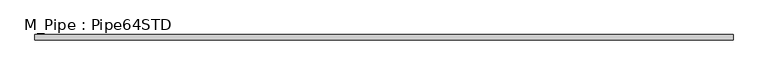
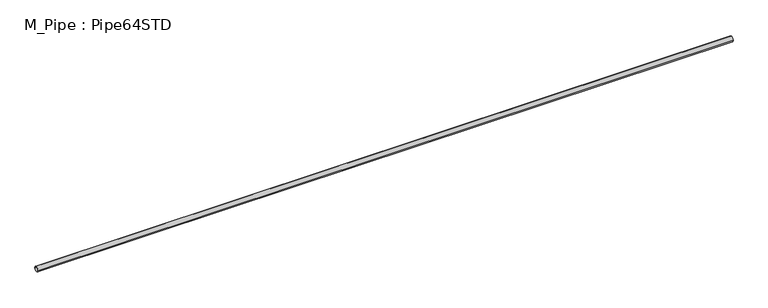
"""IFC4 building model written with IfcOpenShell, lengths in millimetres: member geometry, M_Pipe : Pipe64STD."""

from ifc_helpers import new_model, si_unit, point, frame, origin, origin_2d, place, context, project, spatial, circle_curve, trimmed, segment, composite_curve, outline, extrude, source, transform, mapped, element, save


def m_pipe_pipe64std_db228b6c(model_context):
    return source(origin(), model_context, "Body", "SweptSolid", [
        extrude(outline(composite_curve([segment(trimmed(circle_curve(origin_2d(), 36.6), [point((-36.6, 0.0))], [point((36.6, 0.0))], False, "CARTESIAN"), True, "CONTINUOUS"), segment(trimmed(circle_curve(origin_2d(), 36.6), [point((36.6, 0.0))], [point((-36.6, 0.0))], False, "CARTESIAN"), True, "CONTINUOUS")], self_intersect=False), holes=[composite_curve([segment(trimmed(circle_curve(origin_2d(), 31.44), [point((31.44, 0.0))], [point((-31.44, 0.0))], True, "CARTESIAN"), True, "CONTINUOUS"), segment(trimmed(circle_curve(origin_2d(), 31.44), [point((-31.44, 0.0))], [point((31.44, 0.0))], True, "CARTESIAN"), True, "CONTINUOUS")], self_intersect=False)]), frame((-4925.2, 0.0, 0.0), z_axis=(1.0, 0.0, 0.0), x_axis=(0.0, 1.0, 0.0)), (0.0, 0.0, 1.0), 9805.8),
    ])


if __name__ == "__main__":
    model = new_model("IFC4")
    model_context = context("Model", 3, world=origin())
    ifc_project = project(units=[si_unit("LENGTHUNIT", "METRE", prefix="MILLI")], contexts=[model_context])
    site = spatial("IfcSite", under=ifc_project)
    building = spatial("IfcBuilding", under=site)
    placement = place(None, origin())
    m_pipe_pipe64std_shape = m_pipe_pipe64std_db228b6c(model_context)
    element("IfcMember", 1, ObjectType="M_Pipe : Pipe64STD", at=placement, inside=building, context=model_context, shape_type="MappedRepresentation", body=[
        mapped(m_pipe_pipe64std_shape, transform((0.0, 0.0, 0.0), x_axis=(1.0, 0.0, 0.0), y_axis=(0.0, 1.0, 0.0), z_axis=(0.0, 0.0, 1.0))),
    ])
    save(model, "model.ifc")
